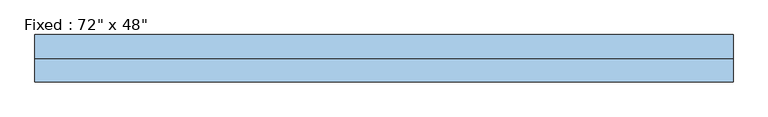
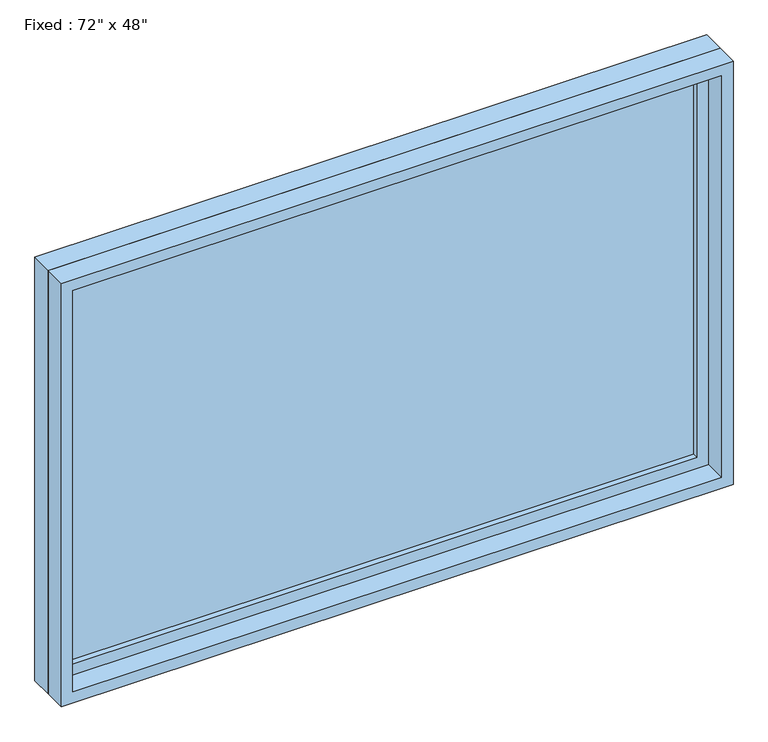
"""IFC4 building model written with IfcOpenShell, lengths in millimetres: window geometry."""

from ifc_helpers import new_model, si_unit, frame, origin, place, context, project, spatial, polyline, outline, extrude, source, transform, mapped, element, save


def window_1a4ac22b(model_context):
    return source(origin(), model_context, "Body", "SweptSolid", [
        extrude(outline(polyline([(812.8, 14.2875), (-889.0, 14.2875), (-889.0, 26.9875), (812.8, 26.9875), (812.8, 14.2875)])), frame((0.0, 0.0, 977.9), z_axis=(0.0, 0.0, 1.0), x_axis=(1.0, 0.0, 0.0)), (0.0, 0.0, 1.0), 1092.2),
        extrude(outline(polyline([(2114.55, -933.45), (933.45, -933.45), (933.45, 857.25), (2114.55, 857.25), (2114.55, -933.45)]), holes=[polyline([(2070.1, -889.0), (2070.1, 812.8), (977.9, 812.8), (977.9, -889.0), (2070.1, -889.0)])]), frame((0.0, -1.5875, 0.0), z_axis=(0.0, 1.0, 0.0), x_axis=(0.0, 0.0, 1.0)), (0.0, 0.0, 1.0), 44.45),
        extrude(outline(polyline([(2133.6, -952.5), (914.4, -952.5), (914.4, 876.3), (2133.6, 876.3), (2133.6, -952.5)]), holes=[polyline([(2101.85, -920.75), (2101.85, 844.55), (946.15, 844.55), (946.15, -920.75), (2101.85, -920.75)])]), frame((0.0, -61.9125, 0.0), z_axis=(0.0, 1.0, 0.0), x_axis=(0.0, 0.0, 1.0)), (0.0, 0.0, 1.0), 60.325),
        extrude(outline(polyline([(2133.6, 876.3), (2133.6, -952.5), (914.4, -952.5), (914.4, 876.3), (2133.6, 876.3)]), holes=[polyline([(2114.55, 857.25), (933.45, 857.25), (933.45, -933.45), (2114.55, -933.45), (2114.55, 857.25)])]), frame((0.0, -1.5875, 0.0), z_axis=(0.0, 1.0, 0.0), x_axis=(0.0, 0.0, 1.0)), (0.0, 0.0, 1.0), 63.5),
    ])


if __name__ == "__main__":
    model = new_model("IFC4")
    model_context = context("Model", 3, world=origin())
    ifc_project = project(units=[si_unit("LENGTHUNIT", "METRE", prefix="MILLI")], contexts=[model_context])
    site = spatial("IfcSite", under=ifc_project)
    building = spatial("IfcBuilding", under=site)
    placement = place(None, origin())
    window_shape = window_1a4ac22b(model_context)
    element("IfcWindow", 1, ObjectType="Fixed : 72\" x 48\"", at=placement, inside=building, context=model_context, shape_type="MappedRepresentation", body=[
        mapped(window_shape, transform((0.0, 0.0, 0.0), x_axis=(1.0, 0.0, 0.0), y_axis=(0.0, 1.0, 0.0), z_axis=(0.0, 0.0, 1.0))),
    ])
    save(model, "model.ifc")
